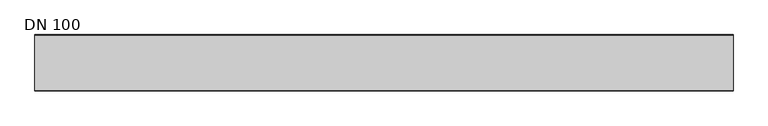
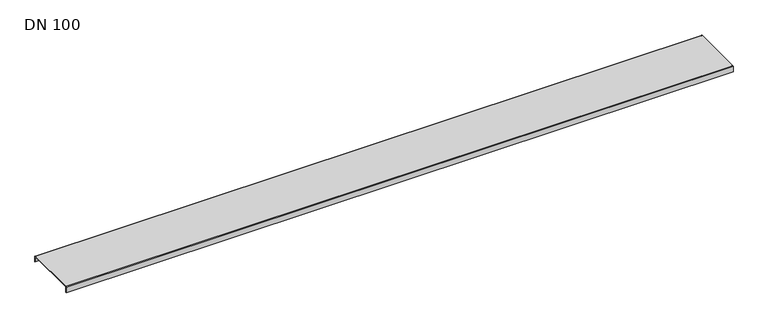
"""IFC4 building model written with IfcOpenShell, lengths in millimetres: sanitary terminal geometry, DN 100."""

from ifc_helpers import new_model, si_unit, point, frame, frame_2d, origin, place, context, project, spatial, polyline, circle_curve, trimmed, segment, composite_curve, outline, extrude, source, transform, mapped, element, save


def dn_100_d9d89825(model_context):
    return source(origin(), model_context, "Body", "SweptSolid", [
        extrude(outline(composite_curve([segment(polyline([(121.5, -28.0), (119.5, -28.0), (119.5, -2.5)]), True, "CONTINUOUS"), segment(trimmed(circle_curve(frame_2d((119.0, -2.5)), 0.5), [point((119.5, -2.5))], [point((119.0, -2.0))], True, "CARTESIAN"), True, "CONTINUOUS"), segment(polyline([(119.0, -2.0), (-119.0, -2.0)]), True, "CONTINUOUS"), segment(trimmed(circle_curve(frame_2d((-119.0, -2.5)), 0.5), [point((-119.0, -2.0))], [point((-119.5, -2.5))], True, "CARTESIAN"), True, "CONTINUOUS"), segment(polyline([(-119.5, -2.5), (-119.5, -28.0), (-121.5, -28.0), (-121.5, -2.5)]), True, "CONTINUOUS"), segment(trimmed(circle_curve(frame_2d((-119.0, -2.5)), 2.5), [point((-121.5, -2.5))], [point((-119.0, 0.0))], False, "CARTESIAN"), True, "CONTINUOUS"), segment(polyline([(-119.0, 0.0), (119.0, 0.0)]), True, "CONTINUOUS"), segment(trimmed(circle_curve(frame_2d((119.0, -2.5)), 2.5), [point((119.0, 0.0))], [point((121.5, -2.5))], False, "CARTESIAN"), True, "CONTINUOUS"), segment(polyline([(121.5, -2.5), (121.5, -28.0)]), True, "CONTINUOUS")], self_intersect=False)), frame((0.0, 0.0, 0.0), z_axis=(1.0, 0.0, 0.0), x_axis=(0.0, 1.0, 0.0)), (0.0, 0.0, 1.0), 3000.0),
    ])


if __name__ == "__main__":
    model = new_model("IFC4")
    model_context = context("Model", 3, world=origin())
    ifc_project = project(units=[si_unit("LENGTHUNIT", "METRE", prefix="MILLI")], contexts=[model_context])
    site = spatial("IfcSite", under=ifc_project)
    building = spatial("IfcBuilding", under=site)
    placement = place(None, origin())
    dn_100_shape = dn_100_d9d89825(model_context)
    element("IfcSanitaryTerminal", 1, ObjectType="DN 100", at=placement, inside=building, context=model_context, shape_type="MappedRepresentation", body=[
        mapped(dn_100_shape, transform((0.0, 0.0, 0.0), x_axis=(1.0, 0.0, 0.0), y_axis=(0.0, 1.0, 0.0), z_axis=(0.0, 0.0, 1.0))),
    ])
    save(model, "model.ifc")
